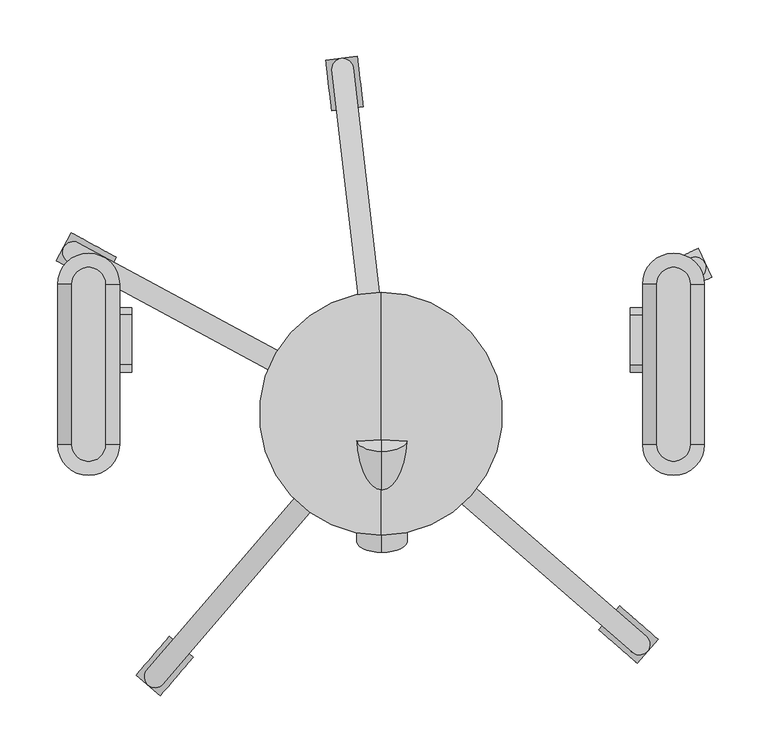
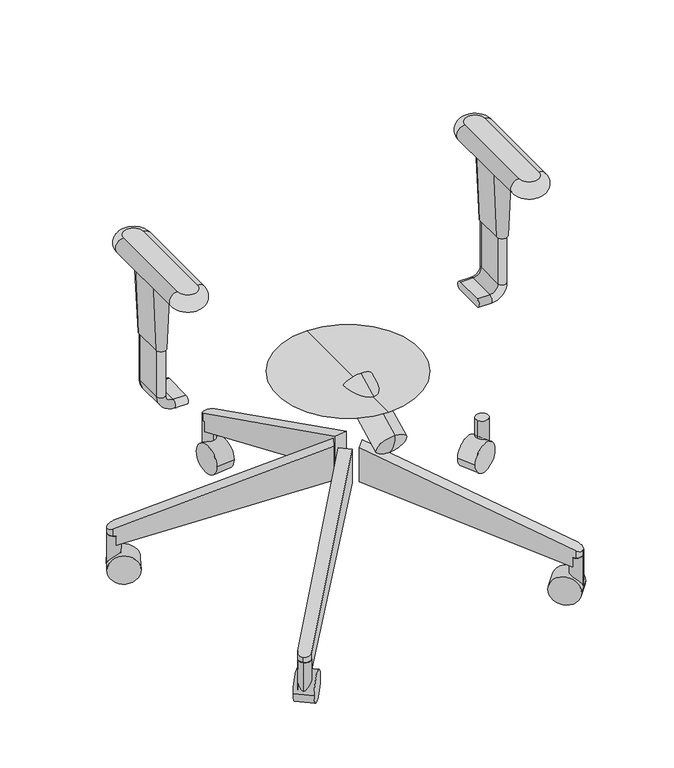
"""IFC4 building model written with IfcOpenShell, lengths in millimetres: proxy geometry."""

from ifc_helpers import new_model, si_unit, point, frame, frame_2d, origin, place, context, project, spatial, polyline, circle_curve, ellipse_curve, trimmed, segment, composite_curve, outline, extrude, source, transform, mapped, element, save
from ifc_brep_helpers import plane_surface, cylinder_surface, revolved_surface, advanced_brep


def specialty_equipment_1cdeb560(model_context):
    return source(origin(), model_context, "Body", "SolidModel", [
        advanced_brep(
        [(-244.7915853, -65.3190125, 564.9459091), (-244.7915853, 77.131927, 564.9459091), (-274.5248755, 77.131927, 564.9459091), (-274.5248755, -65.3190125, 564.9459091), (-274.5248755, -65.3190125, 539.608165), (-274.5248755, 77.131927, 539.608165), (-244.7915853, 77.131927, 539.608165), (-244.7915853, -65.3190125, 539.608165)],
        [
            (0, 1),
            (1, 2, circle_curve(frame((-259.6582304, 77.131927, 564.9459091), z_axis=(0.0, 0.0, 1.0), x_axis=(-1.0, 0.0, 0.0)), 14.8666451)),
            (2, 3),
            (3, 0, circle_curve(frame((-259.6582304, -65.3190125, 564.9459091), z_axis=(0.0, 0.0, 1.0), x_axis=(1.0, 0.0, 0.0)), 14.8666451)),
            (4, 5),
            (5, 6, circle_curve(frame((-259.6582304, 77.131927, 539.608165), z_axis=(0.0, 0.0, -1.0), x_axis=(-1.0, 0.0, 0.0)), 14.8666451)),
            (6, 7),
            (7, 4, circle_curve(frame((-259.6582304, -65.3190125, 539.608165), z_axis=(0.0, 0.0, -1.0), x_axis=(1.0, 0.0, 0.0)), 14.8666451)),
            (7, 0, circle_curve(frame((-244.7915853, -65.3190125, 552.277037), z_axis=(0.0, -1.0, 0.0), x_axis=(-1.0, 0.0, 0.0)), 12.668872)),
            (3, 4, circle_curve(frame((-274.5248755, -65.3190125, 552.277037), z_axis=(0.0, -1.0, 0.0), x_axis=(1.0, 0.0, 0.0)), 12.668872)),
            (2, 5, circle_curve(frame((-274.5248755, 77.131927, 552.277037), z_axis=(0.0, -1.0, 0.0), x_axis=(1.0, 0.0, 0.0)), 12.668872)),
            (1, 6, circle_curve(frame((-244.7915853, 77.131927, 552.277037), z_axis=(0.0, 1.0, 0.0), x_axis=(-1.0, 0.0, 0.0)), 12.668872)),
        ],
        [
            plane_surface(frame((-232.0214447, -65.3190125, 564.9459091), z_axis=(0.0, 0.0, 1.0), x_axis=(0.0, -1.0, 0.0))),
            plane_surface(frame((-232.0214447, -65.3190125, 539.608165), z_axis=(0.0, 0.0, -1.0), x_axis=(0.0, 1.0, 0.0))),
            revolved_surface(trimmed(ellipse_curve(frame((-244.7915853, -65.3190125, 552.277037), z_axis=(0.0, -1.0, 0.0), x_axis=(-1.0, 0.0, 0.0)), 12.668872, 12.668872), [point((-244.7915853, -65.3190125, 539.608165))], [point((-244.7915853, -65.3190125, 564.9459091))], True, "CARTESIAN"), (-259.6582304, -65.3190125, 564.9459091), (0.0, 0.0, 1.0)),
            cylinder_surface(frame((-274.5248755, -65.3190125, 552.277037), z_axis=(0.0, 1.0, 0.0), x_axis=(1.0, 0.0, 0.0)), 12.668872),
            revolved_surface(trimmed(ellipse_curve(frame((-274.5248755, 77.131927, 552.277037), z_axis=(0.0, 1.0, 0.0), x_axis=(1.0, 0.0, 0.0)), 12.668872, 12.668872), [point((-274.5248755, 77.131927, 539.608165))], [point((-274.5248755, 77.131927, 564.9459091))], True, "CARTESIAN"), (-259.6582304, 77.131927, 564.9459091), (0.0, 0.0, 1.0)),
            cylinder_surface(frame((-244.7915853, 77.131927, 552.277037), z_axis=(0.0, -1.0, 0.0), x_axis=(-1.0, 0.0, 0.0)), 12.668872),
        ],
        [
            (0, [[1, 2, 3, 4]]),
            (1, [[5, 6, 7, 8]]),
            (2, [[-8, 9, -4, 10]]),
            (3, [[-3, 11, -5, -10]]),
            (4, [[-2, 12, -6, -11]]),
            (5, [[-7, -12, -1, -9]]),
        ],
    ),
        advanced_brep(
        [(-272.2112726, 5.4550281, 539.608165), (-246.8112726, 5.4550281, 539.608165), (-246.8112726, 49.9050281, 539.608165), (-272.2112726, 49.9050281, 539.608165), (-267.4487726, 5.4550281, 425.6440254), (-267.4487726, 49.9050281, 425.6440254), (-251.5737726, 49.9050281, 425.6440254), (-251.5737726, 5.4550281, 425.6440254)],
        [
            (0, 1, circle_curve(frame((-259.5112726, 5.4550281, 539.608165), z_axis=(0.0, 0.0, 1.0), x_axis=(1.0, 0.0, 0.0)), 12.7)),
            (1, 2),
            (2, 3, circle_curve(frame((-259.5112726, 49.9050281, 539.608165), z_axis=(0.0, 0.0, 1.0), x_axis=(-1.0, 0.0, 0.0)), 12.7)),
            (3, 0),
            (4, 5),
            (5, 6, circle_curve(frame((-259.5112726, 49.9050281, 425.6440254), z_axis=(0.0, 0.0, -1.0), x_axis=(-1.0, 0.0, 0.0)), 7.9375)),
            (6, 7),
            (7, 4, circle_curve(frame((-259.5112726, 5.4550281, 425.6440254), z_axis=(0.0, 0.0, -1.0), x_axis=(1.0, 0.0, 0.0)), 7.9375)),
            (3, 5),
            (4, 0),
            (2, 6),
            (1, 7),
        ],
        [
            plane_surface(frame((-259.5112726, 27.6800281, 539.608165), z_axis=(0.0, 0.0, 1.0), x_axis=(0.0, 1.0, 0.0))),
            plane_surface(frame((-259.5112726, 27.6800281, 425.6440254), z_axis=(0.0, 0.0, -1.0), x_axis=(0.0, 1.0, 0.0))),
            plane_surface(frame((-267.4487726, 27.6800281, 425.6440254), z_axis=(-0.9991279624642644, 0.0, -0.04175301931606388), x_axis=(0.0, 1.0, 0.0))),
            revolved_surface(polyline([(-251.57377260104474, 49.9050281, 425.6440254), (-246.8112726, 49.9050281, 539.608165)]), (-259.5112726, 49.9050281, 235.7037928), (0.0, 0.0, 1.0)),
            plane_surface(frame((-251.5737726, 27.6800281, 425.6440254), z_axis=(0.9991279624642645, 0.0, -0.04175301931606151), x_axis=(0.0, -1.0, 0.0))),
            revolved_surface(polyline([(-267.44877259895526, 5.4550281, 425.6440254), (-272.2112726, 5.4550281, 539.608165)]), (-259.5112726, 5.4550281, 235.7037928), (0.0, 0.0, 1.0)),
        ],
        [
            (0, [[1, 2, 3, 4]]),
            (1, [[5, 6, 7, 8]]),
            (2, [[9, -5, 10, -4]]),
            (3, [[11, -6, -9, -3]]),
            (4, [[12, -7, -11, -2]]),
            (5, [[-10, -8, -12, -1]]),
        ],
    ),
        advanced_brep(
        [(-221.4112726, 5.4550281, 324.0440254), (-221.4112726, 49.9050281, 324.0440254), (-221.4112726, 49.9050281, 336.7440254), (-221.4112726, 5.4550281, 336.7440254), (-240.4612726, 5.4550281, 336.7440254), (-240.4612726, 5.4550281, 324.0440254), (-240.4612726, 49.9050281, 336.7440254), (-240.4612726, 49.9050281, 324.0440254), (-253.1612726, 5.4550281, 349.4440254), (-265.8612726, 5.4550281, 349.4440254), (-253.1612726, 49.9050281, 349.4440254), (-265.8612726, 49.9050281, 349.4440254), (-265.8612726, 5.4550281, 425.6440254), (-253.1612726, 5.4550281, 425.6440254), (-253.1612726, 49.9050281, 425.6440254), (-265.8612726, 49.9050281, 425.6440254)],
        [
            (0, 1),
            (1, 2, circle_curve(frame((-221.4112726, 49.9050281, 330.3940254), z_axis=(1.0, 0.0, 0.0), x_axis=(0.0, -1.0, 0.0)), 6.35)),
            (2, 3),
            (3, 0, circle_curve(frame((-221.4112726, 5.4550281, 330.3940254), z_axis=(1.0, 0.0, 0.0), x_axis=(0.0, -1.0, 0.0)), 6.35)),
            (3, 4),
            (4, 5, circle_curve(frame((-240.4612726, 5.4550281, 330.3940254), z_axis=(1.0, 0.0, 0.0), x_axis=(0.0, -1.0, 0.0)), 6.35)),
            (5, 0),
            (2, 6),
            (6, 4),
            (1, 7),
            (7, 6, circle_curve(frame((-240.4612726, 49.9050281, 330.3940254), z_axis=(1.0, 0.0, 0.0), x_axis=(0.0, -1.0, 0.0)), 6.35)),
            (5, 7),
            (8, 9, circle_curve(frame((-259.5112726, 5.4550281, 349.4440254), z_axis=(0.0, 0.0, -1.0), x_axis=(0.0, -1.0, 0.0)), 6.35)),
            (9, 5, circle_curve(frame((-240.4612726, 5.4550281, 349.4440254), z_axis=(0.0, -1.0, 0.0), x_axis=(0.0, 0.0, -1.0)), 25.4)),
            (4, 8, circle_curve(frame((-240.4612726, 5.4550281, 349.4440254), z_axis=(0.0, 1.0, 0.0), x_axis=(0.0, 0.0, -1.0)), 12.7)),
            (10, 8),
            (6, 10, circle_curve(frame((-240.4612726, 49.9050281, 349.4440254), z_axis=(0.0, 1.0, 0.0), x_axis=(0.0, 0.0, -1.0)), 12.7)),
            (11, 10, circle_curve(frame((-259.5112726, 49.9050281, 349.4440254), z_axis=(0.0, 0.0, -1.0), x_axis=(0.0, -1.0, 0.0)), 6.35)),
            (7, 11, circle_curve(frame((-240.4612726, 49.9050281, 349.4440254), z_axis=(0.0, 1.0, 0.0), x_axis=(0.0, 0.0, -1.0)), 25.4)),
            (9, 11),
            (12, 13, circle_curve(frame((-259.5112726, 5.4550281, 425.6440254), z_axis=(0.0, 0.0, 1.0), x_axis=(0.0, -1.0, 0.0)), 6.35)),
            (13, 14),
            (14, 15, circle_curve(frame((-259.5112726, 49.9050281, 425.6440254), z_axis=(0.0, 0.0, 1.0), x_axis=(0.0, -1.0, 0.0)), 6.35)),
            (15, 12),
            (8, 13),
            (12, 9),
            (10, 14),
            (11, 15),
        ],
        [
            plane_surface(frame((-221.4112726, 31.75, 324.0440254), z_axis=(1.0, 0.0, 0.0), x_axis=(0.0, -1.0, 0.0))),
            cylinder_surface(frame((-221.4112726, 5.4550281, 330.3940254), z_axis=(1.0, 0.0, 0.0), x_axis=(0.0, -1.0, 0.0)), 6.35),
            plane_surface(frame((-221.4112726, 5.4550281, 336.7440254), z_axis=(0.0, 0.0, 1.0), x_axis=(-1.0, 0.0, 0.0))),
            cylinder_surface(frame((-221.4112726, 49.9050281, 330.3940254), z_axis=(1.0, 0.0, 0.0), x_axis=(0.0, -1.0, 0.0)), 6.35),
            plane_surface(frame((-221.4112726, 49.9050281, 324.0440254), z_axis=(0.0, 0.0, -1.0), x_axis=(-1.0, 0.0, 0.0))),
            revolved_surface(trimmed(ellipse_curve(frame((-240.4612726, 5.4550281, 330.3940254), z_axis=(-1.0, 0.0, 0.0), x_axis=(0.0, -1.0, 0.0)), 6.35, 6.35), [point((-240.4612726, 5.4550281, 324.0440254))], [point((-240.4612726, 5.4550281, 336.7440254))], True, "CARTESIAN"), (-240.4612726, 31.75, 349.4440254), (0.0, -1.0, 0.0)),
            revolved_surface(polyline([(-240.4612726, 5.4550281, 336.7440254), (-240.4612726, 49.9050281, 336.7440254)]), (-240.4612726, 31.75, 349.4440254), (0.0, -1.0, 0.0)),
            revolved_surface(trimmed(ellipse_curve(frame((-240.4612726, 49.9050281, 330.3940254), z_axis=(-1.0, 0.0, 0.0), x_axis=(0.0, -1.0, 0.0)), 6.35, 6.35), [point((-240.4612726, 49.9050281, 336.7440254))], [point((-240.4612726, 49.9050281, 324.0440254))], True, "CARTESIAN"), (-240.4612726, 31.75, 349.4440254), (0.0, -1.0, 0.0)),
            cylinder_surface(frame((-240.4612726, 31.75, 349.4440254), z_axis=(0.0, -1.0, 0.0), x_axis=(0.0, 0.0, -1.0)), 25.4),
            plane_surface(frame((-265.8612726, 31.75, 425.6440254), z_axis=(0.0, 0.0, 1.0), x_axis=(0.0, -1.0, 0.0))),
            cylinder_surface(frame((-259.5112726, 5.4550281, 349.4440254), z_axis=(0.0, 0.0, -1.0), x_axis=(0.0, -1.0, 0.0)), 6.35),
            plane_surface(frame((-253.1612726, 5.4550281, 349.4440254), z_axis=(1.0, 0.0, 0.0), x_axis=(0.0, 0.0, 1.0))),
            cylinder_surface(frame((-259.5112726, 49.9050281, 349.4440254), z_axis=(0.0, 0.0, -1.0), x_axis=(0.0, -1.0, 0.0)), 6.35),
            plane_surface(frame((-265.8612726, 49.9050281, 349.4440254), z_axis=(-1.0, 0.0, 0.0), x_axis=(0.0, 0.0, 1.0))),
        ],
        [
            (0, [[1, 2, 3, 4]]),
            (1, [[5, 6, 7, -4]]),
            (2, [[8, 9, -5, -3]]),
            (3, [[10, 11, -8, -2]]),
            (4, [[-7, 12, -10, -1]]),
            (5, [[13, 14, -6, 15]]),
            (6, [[16, -15, -9, 17]]),
            (7, [[18, -17, -11, 19]]),
            (8, [[20, -19, -12, -14]]),
            (9, [[21, 22, 23, 24]]),
            (10, [[25, -21, 26, -13]]),
            (11, [[27, -22, -25, -16]]),
            (12, [[28, -23, -27, -18]]),
            (13, [[-26, -24, -28, -20]]),
        ],
    ),
        advanced_brep(
        [(274.4746752, -65.3190125, 564.9459091), (274.4746752, 77.131927, 564.9459091), (244.8417856, 77.131927, 564.9459091), (244.8417856, -65.3190125, 564.9459091), (244.8417856, -65.3190125, 539.608165), (244.8417856, 77.131927, 539.608165), (274.4746752, 77.131927, 539.608165), (274.4746752, -65.3190125, 539.608165)],
        [
            (0, 1),
            (1, 2, circle_curve(frame((259.6582304, 77.131927, 564.9459091), z_axis=(0.0, 0.0, 1.0), x_axis=(-1.0, 0.0, 0.0)), 14.8164448)),
            (2, 3),
            (3, 0, circle_curve(frame((259.6582304, -65.3190125, 564.9459091), z_axis=(0.0, 0.0, 1.0), x_axis=(1.0, 0.0, 0.0)), 14.8164448)),
            (4, 5),
            (5, 6, circle_curve(frame((259.6582304, 77.131927, 539.608165), z_axis=(0.0, 0.0, -1.0), x_axis=(-1.0, 0.0, 0.0)), 14.8164448)),
            (6, 7),
            (7, 4, circle_curve(frame((259.6582304, -65.3190125, 539.608165), z_axis=(0.0, 0.0, -1.0), x_axis=(1.0, 0.0, 0.0)), 14.8164448)),
            (7, 0, circle_curve(frame((274.4746752, -65.3190125, 552.277037), z_axis=(0.0, -1.0, 0.0), x_axis=(-1.0, 0.0, 0.0)), 12.668872)),
            (3, 4, circle_curve(frame((244.8417856, -65.3190125, 552.277037), z_axis=(0.0, -1.0, 0.0), x_axis=(1.0, 0.0, 0.0)), 12.668872)),
            (2, 5, circle_curve(frame((244.8417856, 77.131927, 552.277037), z_axis=(0.0, -1.0, 0.0), x_axis=(1.0, 0.0, 0.0)), 12.668872)),
            (1, 6, circle_curve(frame((274.4746752, 77.131927, 552.277037), z_axis=(0.0, 1.0, 0.0), x_axis=(-1.0, 0.0, 0.0)), 12.668872)),
        ],
        [
            plane_surface(frame((232.0214447, -59.2606364, 564.9459091), z_axis=(0.0, 0.0, 1.0), x_axis=(0.0, 1.0, 0.0))),
            plane_surface(frame((232.0214447, -59.2606364, 539.608165), z_axis=(0.0, 0.0, -1.0), x_axis=(0.0, -1.0, 0.0))),
            revolved_surface(trimmed(ellipse_curve(frame((274.4746752, -65.3190125, 552.277037), z_axis=(0.0, -1.0, 0.0), x_axis=(-1.0, 0.0, 0.0)), 12.668872, 12.668872), [point((274.4746752, -65.3190125, 539.608165))], [point((274.4746752, -65.3190125, 564.9459091))], True, "CARTESIAN"), (259.6582304, -65.3190125, 564.9459091), (0.0, 0.0, 1.0)),
            cylinder_surface(frame((244.8417856, -65.3190125, 552.277037), z_axis=(0.0, 1.0, 0.0), x_axis=(1.0, 0.0, 0.0)), 12.668872),
            revolved_surface(trimmed(ellipse_curve(frame((244.8417856, 77.131927, 552.277037), z_axis=(0.0, 1.0, 0.0), x_axis=(1.0, 0.0, 0.0)), 12.668872, 12.668872), [point((244.8417856, 77.131927, 539.608165))], [point((244.8417856, 77.131927, 564.9459091))], True, "CARTESIAN"), (259.6582304, 77.131927, 564.9459091), (0.0, 0.0, 1.0)),
            cylinder_surface(frame((274.4746752, 77.131927, 552.277037), z_axis=(0.0, -1.0, 0.0), x_axis=(-1.0, 0.0, 0.0)), 12.668872),
        ],
        [
            (0, [[1, 2, 3, 4]]),
            (1, [[5, 6, 7, 8]]),
            (2, [[-8, 9, -4, 10]]),
            (3, [[-3, 11, -5, -10]]),
            (4, [[-2, 12, -6, -11]]),
            (5, [[-7, -12, -1, -9]]),
        ],
    ),
        advanced_brep(
        [(272.2112726, 5.4550281, 539.608165), (272.2112726, 49.9050281, 539.608165), (246.8112726, 49.9050281, 539.608165), (246.8112726, 5.4550281, 539.608165), (267.4487726, 5.4550281, 425.6440254), (251.5737726, 5.4550281, 425.6440254), (251.5737726, 49.9050281, 425.6440254), (267.4487726, 49.9050281, 425.6440254)],
        [
            (0, 1),
            (1, 2, circle_curve(frame((259.5112726, 49.9050281, 539.608165), z_axis=(0.0, 0.0, 1.0), x_axis=(-1.0, 0.0, 0.0)), 12.7)),
            (2, 3),
            (3, 0, circle_curve(frame((259.5112726, 5.4550281, 539.608165), z_axis=(0.0, 0.0, 1.0), x_axis=(1.0, 0.0, 0.0)), 12.7)),
            (4, 5, circle_curve(frame((259.5112726, 5.4550281, 425.6440254), z_axis=(0.0, 0.0, -1.0), x_axis=(1.0, 0.0, 0.0)), 7.9375)),
            (5, 6),
            (6, 7, circle_curve(frame((259.5112726, 49.9050281, 425.6440254), z_axis=(0.0, 0.0, -1.0), x_axis=(-1.0, 0.0, 0.0)), 7.9375)),
            (7, 4),
            (3, 5),
            (4, 0),
            (2, 6),
            (1, 7),
        ],
        [
            plane_surface(frame((259.5112726, 27.6800281, 539.608165), z_axis=(0.0, 0.0, 1.0), x_axis=(0.0, -1.0, 0.0))),
            plane_surface(frame((259.5112726, 27.6800281, 425.6440254), z_axis=(0.0, 0.0, -1.0), x_axis=(0.0, -1.0, 0.0))),
            revolved_surface(polyline([(251.57377260104474, 5.4550281, 425.6440254), (246.8112726, 5.4550281, 539.608165)]), (259.5112726, 5.4550281, 235.7037928), (0.0, 0.0, 1.0)),
            plane_surface(frame((251.5737726, 27.6800281, 425.6440254), z_axis=(-0.9991279624642644, 0.0, -0.04175301931606269), x_axis=(0.0, 1.0, 0.0))),
            revolved_surface(polyline([(267.44877259895526, 49.9050281, 425.6440254), (272.2112726, 49.9050281, 539.608165)]), (259.5112726, 49.9050281, 235.7037928), (0.0, 0.0, 1.0)),
            plane_surface(frame((267.4487726, 27.6800281, 425.6440254), z_axis=(0.9991279624642644, 0.0, -0.04175301931606269), x_axis=(0.0, -1.0, 0.0))),
        ],
        [
            (0, [[1, 2, 3, 4]]),
            (1, [[5, 6, 7, 8]]),
            (2, [[9, -5, 10, -4]]),
            (3, [[11, -6, -9, -3]]),
            (4, [[12, -7, -11, -2]]),
            (5, [[-10, -8, -12, -1]]),
        ],
    ),
        advanced_brep(
        [(221.4112726, 5.4550281, 324.0440254), (221.4112726, 5.4550281, 336.7440254), (221.4112726, 49.9050281, 336.7440254), (221.4112726, 49.9050281, 324.0440254), (240.4612726, 49.9050281, 324.0440254), (240.4612726, 5.4550281, 324.0440254), (240.4612726, 49.9050281, 336.7440254), (240.4612726, 5.4550281, 336.7440254), (265.8612726, 49.9050281, 349.4440254), (265.8612726, 5.4550281, 349.4440254), (253.1612726, 49.9050281, 349.4440254), (253.1612726, 5.4550281, 349.4440254), (265.8612726, 5.4550281, 425.6440254), (265.8612726, 49.9050281, 425.6440254), (253.1612726, 49.9050281, 425.6440254), (253.1612726, 5.4550281, 425.6440254)],
        [
            (0, 1, circle_curve(frame((221.4112726, 5.4550281, 330.3940254), z_axis=(-1.0, 0.0, 0.0), x_axis=(0.0, -1.0, 0.0)), 6.35)),
            (1, 2),
            (2, 3, circle_curve(frame((221.4112726, 49.9050281, 330.3940254), z_axis=(-1.0, 0.0, 0.0), x_axis=(0.0, -1.0, 0.0)), 6.35)),
            (3, 0),
            (3, 4),
            (4, 5),
            (5, 0),
            (2, 6),
            (6, 4, circle_curve(frame((240.4612726, 49.9050281, 330.3940254), z_axis=(-1.0, 0.0, 0.0), x_axis=(0.0, -1.0, 0.0)), 6.35)),
            (1, 7),
            (7, 6),
            (5, 7, circle_curve(frame((240.4612726, 5.4550281, 330.3940254), z_axis=(-1.0, 0.0, 0.0), x_axis=(0.0, -1.0, 0.0)), 6.35)),
            (8, 9),
            (9, 5, circle_curve(frame((240.4612726, 5.4550281, 349.4440254), z_axis=(0.0, 1.0, 0.0), x_axis=(0.0, 0.0, -1.0)), 25.4)),
            (4, 8, circle_curve(frame((240.4612726, 49.9050281, 349.4440254), z_axis=(0.0, -1.0, 0.0), x_axis=(0.0, 0.0, -1.0)), 25.4)),
            (10, 8, circle_curve(frame((259.5112726, 49.9050281, 349.4440254), z_axis=(0.0, 0.0, -1.0), x_axis=(0.0, -1.0, 0.0)), 6.35)),
            (6, 10, circle_curve(frame((240.4612726, 49.9050281, 349.4440254), z_axis=(0.0, -1.0, 0.0), x_axis=(0.0, 0.0, -1.0)), 12.7)),
            (11, 10),
            (7, 11, circle_curve(frame((240.4612726, 5.4550281, 349.4440254), z_axis=(0.0, -1.0, 0.0), x_axis=(0.0, 0.0, -1.0)), 12.7)),
            (9, 11, circle_curve(frame((259.5112726, 5.4550281, 349.4440254), z_axis=(0.0, 0.0, -1.0), x_axis=(0.0, -1.0, 0.0)), 6.35)),
            (12, 13),
            (13, 14, circle_curve(frame((259.5112726, 49.9050281, 425.6440254), z_axis=(0.0, 0.0, 1.0), x_axis=(0.0, -1.0, 0.0)), 6.35)),
            (14, 15),
            (15, 12, circle_curve(frame((259.5112726, 5.4550281, 425.6440254), z_axis=(0.0, 0.0, 1.0), x_axis=(0.0, -1.0, 0.0)), 6.35)),
            (8, 13),
            (12, 9),
            (10, 14),
            (11, 15),
        ],
        [
            plane_surface(frame((221.4112726, 31.75, 324.0440254), z_axis=(-1.0, 0.0, 0.0), x_axis=(0.0, -1.0, 0.0))),
            plane_surface(frame((221.4112726, 5.4550281, 324.0440254), z_axis=(0.0, 0.0, -1.0), x_axis=(1.0, 0.0, 0.0))),
            cylinder_surface(frame((221.4112726, 49.9050281, 330.3940254), z_axis=(-1.0, 0.0, 0.0), x_axis=(0.0, -1.0, 0.0)), 6.35),
            plane_surface(frame((221.4112726, 49.9050281, 336.7440254), z_axis=(0.0, 0.0, 1.0), x_axis=(1.0, 0.0, 0.0))),
            cylinder_surface(frame((221.4112726, 5.4550281, 330.3940254), z_axis=(-1.0, 0.0, 0.0), x_axis=(0.0, -1.0, 0.0)), 6.35),
            cylinder_surface(frame((240.4612726, 31.75, 349.4440254), z_axis=(0.0, 1.0, 0.0), x_axis=(0.0, 0.0, -1.0)), 25.4),
            revolved_surface(trimmed(ellipse_curve(frame((240.4612726, 49.9050281, 330.3940254), z_axis=(1.0, 0.0, 0.0), x_axis=(0.0, -1.0, 0.0)), 6.35, 6.35), [point((240.4612726, 49.9050281, 324.0440254))], [point((240.4612726, 49.9050281, 336.7440254))], True, "CARTESIAN"), (240.4612726, 31.75, 349.4440254), (0.0, 1.0, 0.0)),
            revolved_surface(polyline([(240.4612726, 49.9050281, 336.7440254), (240.4612726, 5.4550281, 336.7440254)]), (240.4612726, 31.75, 349.4440254), (0.0, 1.0, 0.0)),
            revolved_surface(trimmed(ellipse_curve(frame((240.4612726, 5.4550281, 330.3940254), z_axis=(1.0, 0.0, 0.0), x_axis=(0.0, -1.0, 0.0)), 6.35, 6.35), [point((240.4612726, 5.4550281, 336.7440254))], [point((240.4612726, 5.4550281, 324.0440254))], True, "CARTESIAN"), (240.4612726, 31.75, 349.4440254), (0.0, 1.0, 0.0)),
            plane_surface(frame((265.8612726, 31.75, 425.6440254), z_axis=(0.0, 0.0, 1.0), x_axis=(0.0, -1.0, 0.0))),
            plane_surface(frame((265.8612726, 5.4550281, 349.4440254), z_axis=(1.0, 0.0, 0.0), x_axis=(0.0, 0.0, 1.0))),
            cylinder_surface(frame((259.5112726, 49.9050281, 349.4440254), z_axis=(0.0, 0.0, -1.0), x_axis=(0.0, -1.0, 0.0)), 6.35),
            plane_surface(frame((253.1612726, 49.9050281, 349.4440254), z_axis=(-1.0, 0.0, 0.0), x_axis=(0.0, 0.0, 1.0))),
            cylinder_surface(frame((259.5112726, 5.4550281, 349.4440254), z_axis=(0.0, 0.0, -1.0), x_axis=(0.0, -1.0, 0.0)), 6.35),
        ],
        [
            (0, [[1, 2, 3, 4]]),
            (1, [[5, 6, 7, -4]]),
            (2, [[8, 9, -5, -3]]),
            (3, [[10, 11, -8, -2]]),
            (4, [[-7, 12, -10, -1]]),
            (5, [[13, 14, -6, 15]]),
            (6, [[16, -15, -9, 17]]),
            (7, [[18, -17, -11, 19]]),
            (8, [[20, -19, -12, -14]]),
            (9, [[21, 22, 23, 24]]),
            (10, [[25, -21, 26, -13]]),
            (11, [[27, -22, -25, -16]]),
            (12, [[28, -23, -27, -18]]),
            (13, [[-26, -24, -28, -20]]),
        ],
    ),
        advanced_brep(
        [(0.7579549, -50.7773619, 300.8203454), (0.7579549, -59.9704355, 321.4683269), (0.7579549, -71.2714503, 341.0422587), (0.7579549, -140.5414689, 255.0832484), (0.7579549, -161.0355573, 295.3051617), (0.7579549, -156.2865878, 272.3927961)],
        [
            (0, 1),
            (1, 2),
            (2, 0, circle_curve(frame((0.7579549, -61.0244061, 320.931302), z_axis=(0.0, 0.8910065241883681, 0.45399049973954636), x_axis=(0.0, -0.45399049973954636, 0.8910065241883681)), 22.5710543)),
            (0, 2, circle_curve(frame((0.7579549, -61.0244061, 320.931302), z_axis=(0.0, 0.8910065241883681, 0.45399049973954636), x_axis=(0.0, -0.45399049973954636, 0.8910065241883681)), 22.5710543)),
            (3, 0),
            (2, 4),
            (4, 3, circle_curve(frame((0.7579549, -150.7885131, 275.1942051), z_axis=(0.0, 0.8910065241883681, 0.45399049973954636), x_axis=(0.0, -0.45399049973954636, 0.8910065241883681)), 22.5710543)),
            (3, 4, circle_curve(frame((0.7579549, -150.7885131, 275.1942051), z_axis=(0.0, 0.8910065241883681, 0.45399049973954636), x_axis=(0.0, -0.45399049973954636, 0.8910065241883681)), 22.5710543)),
            (5, 3, circle_curve(frame((0.7579549, -116.7564404, 292.5344122), z_axis=(1.0, 0.0, 0.0), x_axis=(0.0, -0.587785252292474, -0.8090169943749469)), 44.3657216)),
            (4, 5, circle_curve(frame((0.7579549, -116.7564404, 292.5344122), z_axis=(1.0, 0.0, 0.0), x_axis=(0.0, -1.0, 0.0)), 44.3657216)),
        ],
        [
            revolved_surface(polyline([(0.7579549, -59.9704355, 321.4683269), (0.7579549, -71.2714503, 341.0422587)]), (0.7579549, -89.8360219, 306.2510506), (0.0, -0.8910065241883681, -0.45399049973954636)),
            cylinder_surface(frame((0.7579549, -89.8360219, 306.2510506), z_axis=(0.0, -0.8910065241883681, -0.45399049973954636), x_axis=(0.0, -0.45399049973954636, 0.8910065241883681)), 22.5710543),
            revolved_surface(trimmed(ellipse_curve(frame((0.7579549, -116.7564404, 292.5344122), z_axis=(1.0, 0.0, 0.0), x_axis=(0.0, -1.0, 0.0)), 44.3657216, 44.3657216), [point((0.7579549, -161.0355573, 295.3051617))], [point((0.7579549, -156.2865878, 272.3927961))], True, "CARTESIAN"), (0.7579549, -89.8360219, 306.2510506), (0.0, -0.8910065241883681, -0.45399049973954636)),
        ],
        [
            (0, [[1, 2, 3]]),
            (0, [[-2, -1, 4]]),
            (1, [[5, -3, 6, 7]]),
            (1, [[-6, -4, -5, 8]]),
            (2, [[9, -7, 10]]),
            (2, [[-10, -8, -9]]),
        ],
    ),
        advanced_brep(
        [(0.0, -38.1, 324.0440254), (0.0, -146.05, 324.0440254), (0.0, 69.85, 324.0440254), (0.0, -50.8, 278.9664474), (0.0, -38.1, 278.9664474), (0.0, -25.4, 278.9664474)],
        [
            (0, 1),
            (1, 2, circle_curve(frame((0.0, -38.1, 324.0440254), z_axis=(0.0, 0.0, 1.0), x_axis=(0.0, 1.0, 0.0)), 107.95)),
            (2, 0),
            (2, 1, circle_curve(frame((0.0, -38.1, 324.0440254), z_axis=(0.0, 0.0, 1.0), x_axis=(0.0, 1.0, 0.0)), 107.95)),
            (3, 4),
            (4, 5),
            (5, 3, circle_curve(frame((0.0, -38.1, 278.9664474), z_axis=(0.0, 0.0, -1.0), x_axis=(0.0, 1.0, 0.0)), 12.7)),
            (3, 5, circle_curve(frame((0.0, -38.1, 278.9664474), z_axis=(0.0, 0.0, -1.0), x_axis=(0.0, 1.0, 0.0)), 12.7)),
            (1, 3),
            (5, 2),
        ],
        [
            plane_surface(frame((0.0, -38.1, 324.0440254), z_axis=(0.0, 0.0, 1.0), x_axis=(0.0, 1.0, 0.0))),
            plane_surface(frame((0.0, -38.1, 278.9664474), z_axis=(0.0, 0.0, -1.0), x_axis=(0.0, 1.0, 0.0))),
            revolved_surface(polyline([(0.0, -25.4, 278.9664474), (0.0, 69.85, 324.0440254)]), (0.0, -38.1, 278.9664474), (0.0, 0.0, 1.0)),
        ],
        [
            (0, [[1, 2, 3]]),
            (0, [[-3, 4, -1]]),
            (1, [[5, 6, 7]]),
            (1, [[-6, -5, 8]]),
            (2, [[9, -7, 10, -2]]),
            (2, [[-10, -8, -9, -4]]),
        ],
    ),
        advanced_brep(
        [(-35.2798856, 277.5318237, 73.9191719), (-43.6580109, 267.9440949, 73.9191719), (-33.0987126, 258.7169749, 73.9191719), (-24.8402492, 269.635782, 73.9191719), (-35.2798856, 277.5318237, 24.010186), (-24.8402492, 269.635782, 24.010186), (-33.0987126, 258.7169749, 24.010186), (-43.6580109, 267.9440949, 24.010186)],
        [
            (0, 1, circle_curve(frame((-34.1892991, 268.1243993, 73.9191719), z_axis=(0.0, 0.0, 1.0), x_axis=(0.1151570430509366, -0.9933472984992534, 0.0)), 9.4704283)),
            (1, 2, circle_curve(frame((-34.1892991, 268.1243993, 73.9191719), z_axis=(0.0, 0.0, 1.0), x_axis=(0.1151570430509366, -0.9933472984992534, 0.0)), 9.4704283)),
            (2, 3, circle_curve(frame((-34.1892991, 268.1243993, 73.9191719), z_axis=(0.0, 0.0, 1.0), x_axis=(0.1151570430509366, -0.9933472984992534, 0.0)), 9.4704283)),
            (3, 0, circle_curve(frame((-34.1892991, 268.1243993, 73.9191719), z_axis=(0.0, 0.0, 1.0), x_axis=(0.1151570430509366, -0.9933472984992534, 0.0)), 9.4704283)),
            (4, 5, circle_curve(frame((-34.1892991, 268.1243993, 24.010186), z_axis=(0.0, 0.0, -1.0), x_axis=(0.1151570430509366, -0.9933472984992534, 0.0)), 9.4704283)),
            (5, 6, circle_curve(frame((-34.1892991, 268.1243993, 24.010186), z_axis=(0.0, 0.0, -1.0), x_axis=(0.1151570430509366, -0.9933472984992534, 0.0)), 9.4704283)),
            (6, 7, circle_curve(frame((-34.1892991, 268.1243993, 24.010186), z_axis=(0.0, 0.0, -1.0), x_axis=(0.1151570430509366, -0.9933472984992534, 0.0)), 9.4704283)),
            (7, 4, circle_curve(frame((-34.1892991, 268.1243993, 24.010186), z_axis=(0.0, 0.0, -1.0), x_axis=(0.1151570430509366, -0.9933472984992534, 0.0)), 9.4704283)),
            (2, 6),
            (4, 0),
        ],
        [
            plane_surface(frame((-33.0987126, 258.7169749, 73.9191719), z_axis=(0.0, 0.0, 1.0000000000000002), x_axis=(-0.9933472984992534, -0.1151570430509366, 0.0))),
            plane_surface(frame((-33.0987126, 258.7169749, 24.010186), z_axis=(0.0, 0.0, -1.0000000000000002), x_axis=(0.9933472984992534, 0.1151570430509366, 0.0))),
            cylinder_surface(frame((-34.1892991, 268.1243993, 24.010186), z_axis=(0.0, 0.0, 1.0000000000000002), x_axis=(0.1151570430509366, -0.9933472984992534, 0.0)), 9.4704283),
        ],
        [
            (0, [[1, 2, 3, 4]]),
            (1, [[5, 6, 7, 8]]),
            (2, [[-4, -3, 9, -6, -5, 10]]),
            (2, [[-8, -7, -9, -2, -1, -10]]),
        ],
    ),
        advanced_brep(
        [(-10.2230636, -20.4665287, 158.3164474), (8.5386668, -18.2915135, 158.3164474), (8.5386668, -18.2915135, 212.7487443), (-10.2230636, -20.4665287, 212.7487443), (-43.6580109, 267.9440949, 57.6571213), (-35.2798856, 277.5318237, 54.689734), (-24.8402492, 269.635782, 57.8258095), (-24.8402492, 269.635782, 86.2220806), (-35.2798856, 277.5318237, 82.2734822), (-43.6580109, 267.9440949, 86.0096871)],
        [
            (0, 1),
            (1, 2),
            (2, 3),
            (3, 0),
            (0, 4),
            (4, 5, ellipse_curve(frame((-34.1892991, 268.1243993, 57.9730562), z_axis=(0.03772137343102609, -0.3253854336709328, -0.9448287768380345), x_axis=(-0.1088036881301013, 0.9385431130164155, -0.3275646233321655)), 10.0234334, 9.4704283)),
            (5, 6, ellipse_curve(frame((-34.1892991, 268.1243993, 57.9730562), z_axis=(0.03772137343102609, -0.3253854336709328, -0.9448287768380345), x_axis=(-0.1088036881301013, 0.9385431130164155, -0.3275646233321655)), 10.0234334, 9.4704283)),
            (6, 1),
            (6, 7),
            (7, 2),
            (7, 8, ellipse_curve(frame((-34.1892991, 268.1243993, 86.4074773), z_axis=(-0.046069943732865715, 0.3974003928601444, 0.9164881276039825), x_axis=(-0.10554006276616408, 0.910391005662055, -0.400061885163966)), 10.333389, 9.4704283)),
            (8, 9, ellipse_curve(frame((-34.1892991, 268.1243993, 86.4074773), z_axis=(-0.046069943732865715, 0.3974003928601444, 0.9164881276039825), x_axis=(-0.10554006276616408, 0.910391005662055, -0.400061885163966)), 10.333389, 9.4704283)),
            (9, 3),
            (9, 4),
            (8, 5),
        ],
        [
            plane_surface(frame((-0.8421984, -19.3790211, 185.5325958), z_axis=(0.11515704305094802, -0.9933472984992521, 0.0), x_axis=(0.0, 0.0, 1.0))),
            plane_surface(frame((-0.8421984, -19.3790211, 158.3164474), z_axis=(0.03772137343102609, -0.3253854336709328, -0.9448287768380345), x_axis=(0.9933472984992534, 0.1151570430509366, 0.0))),
            plane_surface(frame((8.5386668, -18.2915135, 185.5325958), z_axis=(0.9933472984992534, 0.11515704305093587, 0.0), x_axis=(0.0, 0.0, 1.0))),
            plane_surface(frame((-0.8421984, -19.3790211, 212.7487443), z_axis=(-0.046069943732865715, 0.3974003928601444, 0.9164881276039825), x_axis=(-0.9933472984992534, -0.1151570430509366, 0.0))),
            plane_surface(frame((-10.2230636, -20.4665287, 185.5325958), z_axis=(-0.9933472984992533, -0.11515704305093748, 0.0), x_axis=(0.0, 0.0, -1.0))),
            cylinder_surface(frame((-34.1892991, 268.1243993, 0.0), z_axis=(0.0, 0.0, -1.0000000000000002), x_axis=(0.1151570430509366, -0.9933472984992534, 0.0)), 9.4704283),
        ],
        [
            (0, [[1, 2, 3, 4]]),
            (1, [[5, 6, 7, 8, -1]]),
            (2, [[-8, 9, 10, -2]]),
            (3, [[-10, 11, 12, 13, -3]]),
            (4, [[-13, 14, -5, -4]]),
            (5, [[-6, -14, -12, 15]]),
            (5, [[-11, -9, -7, -15]]),
        ],
    ),
        extrude(outline(composite_curve([segment(trimmed(circle_curve(frame_2d((0.0, 22.5683941)), 22.5683942), [point((0.0, 45.1367882))], [point((0.0, 0.0))], False, "CARTESIAN"), True, "CONTINUOUS"), segment(trimmed(circle_curve(frame_2d((0.0, 22.5683941)), 22.5683942), [point((0.0, 0.0))], [point((0.0, 45.1367882))], False, "CARTESIAN"), True, "CONTINUOUS")], self_intersect=False)), frame((-248.6554504, 76.4056896, 22.3266274), z_axis=(0.475429476302697, 0.8797538366284875, 0.0), x_axis=(0.0, 0.0, -1.0)), (0.0, 0.0, 1.0), 28.170451),
        extrude(outline(composite_curve([segment(trimmed(circle_curve(frame_2d((0.0, 22.5683941)), 22.5683942), [point((0.0, 45.1367883))], [point((0.0, 0.0))], False, "CARTESIAN"), True, "CONTINUOUS"), segment(trimmed(circle_curve(frame_2d((0.0, 22.5683941)), 22.5683942), [point((0.0, 0.0))], [point((0.0, 45.1367883))], False, "CARTESIAN"), True, "CONTINUOUS")], self_intersect=False)), frame((-43.9097092, 231.3044857, 22.3266274), z_axis=(0.9933472984992534, 0.1151570430509366, 0.0), x_axis=(0.0, 0.0, -1.0)), (0.0, 0.0, 1.0), 28.170451),
        advanced_brep(
        [(-281.5728053, 109.989739, 73.9191719), (-278.5244929, 97.6274853, 73.9191719), (-264.909514, 100.9846975, 73.9191719), (-269.1168171, 114.0124051, 73.9191719), (-281.5728053, 109.989739, 24.010186), (-269.1168171, 114.0124051, 24.010186), (-264.909514, 100.9846975, 24.010186), (-278.5244929, 97.6274853, 24.010186)],
        [
            (0, 1, circle_curve(frame((-273.2411596, 105.4872182, 73.9191719), z_axis=(0.0, 0.0, 1.0), x_axis=(0.8797538366284874, -0.475429476302697, 0.0)), 9.4704283)),
            (1, 2, circle_curve(frame((-273.2411596, 105.4872182, 73.9191719), z_axis=(0.0, 0.0, 1.0), x_axis=(0.8797538366284874, -0.475429476302697, 0.0)), 9.4704283)),
            (2, 3, circle_curve(frame((-273.2411596, 105.4872182, 73.9191719), z_axis=(0.0, 0.0, 1.0), x_axis=(0.8797538366284874, -0.475429476302697, 0.0)), 9.4704283)),
            (3, 0, circle_curve(frame((-273.2411596, 105.4872182, 73.9191719), z_axis=(0.0, 0.0, 1.0), x_axis=(0.8797538366284874, -0.475429476302697, 0.0)), 9.4704283)),
            (4, 5, circle_curve(frame((-273.2411596, 105.4872182, 24.010186), z_axis=(0.0, 0.0, -1.0), x_axis=(0.8797538366284874, -0.475429476302697, 0.0)), 9.4704283)),
            (5, 6, circle_curve(frame((-273.2411596, 105.4872182, 24.010186), z_axis=(0.0, 0.0, -1.0), x_axis=(0.8797538366284874, -0.475429476302697, 0.0)), 9.4704283)),
            (6, 7, circle_curve(frame((-273.2411596, 105.4872182, 24.010186), z_axis=(0.0, 0.0, -1.0), x_axis=(0.8797538366284874, -0.475429476302697, 0.0)), 9.4704283)),
            (7, 4, circle_curve(frame((-273.2411596, 105.4872182, 24.010186), z_axis=(0.0, 0.0, -1.0), x_axis=(0.8797538366284874, -0.475429476302697, 0.0)), 9.4704283)),
            (2, 6),
            (4, 0),
        ],
        [
            plane_surface(frame((-264.909514, 100.9846975, 73.9191719), z_axis=(0.0, 0.0, 1.0), x_axis=(-0.475429476302697, -0.8797538366284874, 0.0))),
            plane_surface(frame((-264.909514, 100.9846975, 24.010186), z_axis=(0.0, 0.0, -1.0), x_axis=(0.475429476302697, 0.8797538366284874, 0.0))),
            cylinder_surface(frame((-273.2411596, 105.4872182, 24.010186), z_axis=(0.0, 0.0, 1.0), x_axis=(0.8797538366284874, -0.475429476302697, 0.0)), 9.4704283),
        ],
        [
            (0, [[1, 2, 3, 4]]),
            (1, [[5, 6, 7, 8]]),
            (2, [[-4, -3, 9, -6, -5, 10]]),
            (2, [[-8, -7, -9, -2, -1, -10]]),
        ],
    ),
        advanced_brep(
        [(-23.0948431, -40.4097469, 158.3164474), (-14.1152247, -23.7934997, 158.3164474), (-14.1152247, -23.7934997, 212.7487443), (-23.0948431, -40.4097469, 212.7487443), (-278.5244929, 97.6274853, 57.6571213), (-281.5728053, 109.989739, 54.689734), (-269.1168171, 114.0124051, 57.8258095), (-269.1168171, 114.0124051, 86.2220806), (-281.5728053, 109.989739, 82.2734822), (-278.5244929, 97.6274853, 86.0096871)],
        [
            (0, 1),
            (1, 2),
            (2, 3),
            (3, 0),
            (0, 4),
            (4, 5, ellipse_curve(frame((-273.2411596, 105.4872182, 57.9730562), z_axis=(0.28817623412023846, -0.15573387732610194, -0.9448287768380345), x_axis=(-0.8312167413802618, 0.44919945056782457, -0.32756462333216557)), 10.0234334, 9.4704283)),
            (5, 6, ellipse_curve(frame((-273.2411596, 105.4872182, 57.9730562), z_axis=(0.28817623412023846, -0.15573387732610194, -0.9448287768380345), x_axis=(-0.8312167413802618, 0.44919945056782457, -0.32756462333216557)), 10.0234334, 9.4704283)),
            (6, 1),
            (6, 7),
            (7, 2),
            (7, 8, ellipse_curve(frame((-273.2411596, 105.4872182, 86.4074773), z_axis=(-0.35195597836182463, 0.19020121255217418, 0.9164881276039823), x_axis=(-0.8062839464840623, 0.43572547054440075, -0.40006188516396635)), 10.333389, 9.4704283)),
            (8, 9, ellipse_curve(frame((-273.2411596, 105.4872182, 86.4074773), z_axis=(-0.35195597836182463, 0.19020121255217418, 0.9164881276039823), x_axis=(-0.8062839464840623, 0.43572547054440075, -0.40006188516396635)), 10.333389, 9.4704283)),
            (9, 3),
            (9, 4),
            (8, 5),
        ],
        [
            plane_surface(frame((-18.6050339, -32.1016233, 185.5325958), z_axis=(0.8797538366284872, -0.4754294763026976, 0.0), x_axis=(0.0, 0.0, 1.0))),
            plane_surface(frame((-18.6050339, -32.1016233, 158.3164474), z_axis=(0.28817623412023846, -0.15573387732610194, -0.9448287768380345), x_axis=(0.475429476302697, 0.8797538366284874, 0.0))),
            plane_surface(frame((-14.1152247, -23.7934997, 185.5325958), z_axis=(0.475429476302697, 0.8797538366284875, 0.0), x_axis=(0.0, 0.0, 1.0))),
            plane_surface(frame((-18.6050339, -32.1016233, 212.7487443), z_axis=(-0.35195597836182463, 0.19020121255217418, 0.9164881276039823), x_axis=(-0.475429476302697, -0.8797538366284874, 0.0))),
            plane_surface(frame((-23.0948431, -40.4097469, 185.5325958), z_axis=(-0.4754294763026961, -0.8797538366284879, 0.0), x_axis=(0.0, 0.0, -1.0))),
            cylinder_surface(frame((-273.2411596, 105.4872182, 0.0), z_axis=(0.0, 0.0, -1.0), x_axis=(0.8797538366284874, -0.475429476302697, 0.0)), 9.4704283),
        ],
        [
            (0, [[1, 2, 3, 4]]),
            (1, [[5, 6, 7, 8, -1]]),
            (2, [[-8, 9, 10, -2]]),
            (3, [[-10, 11, 12, 13, -3]]),
            (4, [[-13, 14, -5, -4]]),
            (5, [[-6, -14, -12, 15]]),
            (5, [[-11, -9, -7, -15]]),
        ],
    ),
        extrude(outline(composite_curve([segment(trimmed(circle_curve(frame_2d((0.0, 22.5683941)), 22.5683942), [point((0.0, 45.1367883))], [point((0.0, 0.0))], False, "CARTESIAN"), True, "CONTINUOUS"), segment(trimmed(circle_curve(frame_2d((0.0, 22.5683941)), 22.5683942), [point((0.0, 0.0))], [point((0.0, 45.1367883))], False, "CARTESIAN"), True, "CONTINUOUS")], self_intersect=False)), frame((-166.6539777, -253.958145, 22.3266274), z_axis=(-0.7591272317932002, 0.6509422754361504, 0.0), x_axis=(0.0, 0.0, -1.0)), (0.0, 0.0, 1.0), 28.170451),
        advanced_brep(
        [(-206.7344855, -278.7707437, 73.9191719), (-193.6642242, -278.0623991, 73.9191719), (-194.4050812, -264.3922237, 73.9191719), (-208.3188762, -266.1371681, 73.9191719), (-206.7344855, -278.7707437, 24.010186), (-208.3188762, -266.1371681, 24.010186), (-194.4050812, -264.3922237, 24.010186), (-193.6642242, -278.0623991, 24.010186)],
        [
            (0, 1, circle_curve(frame((-200.5697833, -271.5814837, 73.9191719), z_axis=(0.0, 0.0, 1.0), x_axis=(0.6509422754361504, 0.7591272317932001, 0.0)), 9.4704283)),
            (1, 2, circle_curve(frame((-200.5697833, -271.5814837, 73.9191719), z_axis=(0.0, 0.0, 1.0), x_axis=(0.6509422754361504, 0.7591272317932001, 0.0)), 9.4704283)),
            (2, 3, circle_curve(frame((-200.5697833, -271.5814837, 73.9191719), z_axis=(0.0, 0.0, 1.0), x_axis=(0.6509422754361504, 0.7591272317932001, 0.0)), 9.4704283)),
            (3, 0, circle_curve(frame((-200.5697833, -271.5814837, 73.9191719), z_axis=(0.0, 0.0, 1.0), x_axis=(0.6509422754361504, 0.7591272317932001, 0.0)), 9.4704283)),
            (4, 5, circle_curve(frame((-200.5697833, -271.5814837, 24.010186), z_axis=(0.0, 0.0, -1.0), x_axis=(0.6509422754361504, 0.7591272317932001, 0.0)), 9.4704283)),
            (5, 6, circle_curve(frame((-200.5697833, -271.5814837, 24.010186), z_axis=(0.0, 0.0, -1.0), x_axis=(0.6509422754361504, 0.7591272317932001, 0.0)), 9.4704283)),
            (6, 7, circle_curve(frame((-200.5697833, -271.5814837, 24.010186), z_axis=(0.0, 0.0, -1.0), x_axis=(0.6509422754361504, 0.7591272317932001, 0.0)), 9.4704283)),
            (7, 4, circle_curve(frame((-200.5697833, -271.5814837, 24.010186), z_axis=(0.0, 0.0, -1.0), x_axis=(0.6509422754361504, 0.7591272317932001, 0.0)), 9.4704283)),
            (2, 6),
            (4, 0),
        ],
        [
            plane_surface(frame((-194.4050812, -264.3922237, 73.9191719), z_axis=(0.0, 0.0, 1.0), x_axis=(0.7591272317932001, -0.6509422754361504, 0.0))),
            plane_surface(frame((-194.4050812, -264.3922237, 24.010186), z_axis=(0.0, 0.0, -1.0), x_axis=(-0.7591272317932001, 0.6509422754361504, 0.0))),
            cylinder_surface(frame((-200.5697833, -271.5814837, 24.010186), z_axis=(0.0, 0.0, 1.0), x_axis=(0.6509422754361504, 0.7591272317932001, 0.0)), 9.4704283),
        ],
        [
            (0, [[1, 2, 3, 4]]),
            (1, [[5, 6, 7, 8]]),
            (2, [[-4, -3, 9, -6, -5, 10]]),
            (2, [[-8, -7, -9, -2, -1, -10]]),
        ],
    ),
        advanced_brep(
        [(-19.3228747, -45.7305102, 158.3164474), (-19.3228747, -45.7305102, 212.7487443), (-4.9849483, -58.0251059, 212.7487443), (-4.9849483, -58.0251059, 158.3164474), (-208.3188762, -266.1371681, 57.6571213), (-208.3188762, -266.1371681, 86.0096871), (-206.7344855, -278.7707437, 82.2734822), (-193.6642242, -278.0623991, 86.2220806), (-193.6642242, -278.0623991, 57.8258095), (-206.7344855, -278.7707437, 54.689734)],
        [
            (0, 1),
            (1, 2),
            (2, 3),
            (3, 0),
            (0, 4),
            (4, 5),
            (5, 1),
            (5, 6, ellipse_curve(frame((-200.5697833, -271.5814837, 86.4074773), z_axis=(-0.26041719384390805, -0.30369787143049076, 0.9164881276039823), x_axis=(-0.5965808671927533, -0.6957310952793443, -0.40006188516396635)), 10.333389, 9.4704283)),
            (6, 7, ellipse_curve(frame((-200.5697833, -271.5814837, 86.4074773), z_axis=(-0.26041719384390805, -0.30369787143049076, 0.9164881276039823), x_axis=(-0.5965808671927533, -0.6957310952793443, -0.40006188516396635)), 10.333389, 9.4704283)),
            (7, 2),
            (7, 8),
            (8, 3),
            (8, 9, ellipse_curve(frame((-200.5697833, -271.5814837, 57.9730562), z_axis=(0.21322566126422557, 0.2486632257435294, -0.9448287768380346), x_axis=(-0.6150289938925049, -0.7172452538796125, -0.32756462333216513)), 10.0234334, 9.4704283)),
            (9, 4, ellipse_curve(frame((-200.5697833, -271.5814837, 57.9730562), z_axis=(0.21322566126422557, 0.2486632257435294, -0.9448287768380346), x_axis=(-0.6150289938925049, -0.7172452538796125, -0.32756462333216513)), 10.0234334, 9.4704283)),
            (6, 9),
        ],
        [
            plane_surface(frame((-12.1539115, -51.877808, 185.5325958), z_axis=(0.6509422754361504, 0.7591272317932001, 0.0), x_axis=(0.7591272317932001, -0.6509422754361504, 0.0))),
            plane_surface(frame((-19.3228747, -45.7305102, 185.5325958), z_axis=(-0.7591272317932003, 0.6509422754361502, 0.0), x_axis=(0.0, 0.0, 1.0))),
            plane_surface(frame((-12.1539115, -51.877808, 212.7487443), z_axis=(-0.26041719384390805, -0.30369787143049076, 0.9164881276039823), x_axis=(0.7591272317932001, -0.6509422754361504, 0.0))),
            plane_surface(frame((-4.9849483, -58.0251059, 185.5325958), z_axis=(0.7591272317932007, -0.6509422754361497, 0.0), x_axis=(0.0, 0.0, -1.0))),
            plane_surface(frame((-12.1539115, -51.877808, 158.3164474), z_axis=(0.21322566126422557, 0.2486632257435294, -0.9448287768380346), x_axis=(-0.7591272317932001, 0.6509422754361504, 0.0))),
            cylinder_surface(frame((-200.5697833, -271.5814837, 0.0), z_axis=(0.0, 0.0, -1.0), x_axis=(0.6509422754361504, 0.7591272317932001, 0.0)), 9.4704283),
        ],
        [
            (0, [[1, 2, 3, 4]]),
            (1, [[5, 6, 7, -1]]),
            (2, [[-7, 8, 9, 10, -2]]),
            (3, [[-10, 11, 12, -3]]),
            (4, [[-12, 13, 14, -5, -4]]),
            (5, [[-13, -11, -9, 15]]),
            (5, [[-8, -6, -14, -15]]),
        ],
    ),
        extrude(outline(composite_curve([segment(trimmed(circle_curve(frame_2d((0.0, 22.5683941)), 22.5683942), [point((0.0, 45.1367883))], [point((0.0, 0.0))], False, "CARTESIAN"), True, "CONTINUOUS"), segment(trimmed(circle_curve(frame_2d((0.0, 22.5683941)), 22.5683942), [point((0.0, 0.0))], [point((0.0, 45.1367883))], False, "CARTESIAN"), True, "CONTINUOUS")], self_intersect=False)), frame((193.3874944, -229.8557825, 22.3266274), z_axis=(0.6560590289904926, 0.7547095802227848, 0.0), x_axis=(0.0, 0.0, 1.0)), (0.0, 0.0, 1.0), 28.170451),
        advanced_brep(
        [(236.4100645, -248.842596, 73.9191719), (235.7900898, -235.767845, 73.9191719), (222.1152186, -236.416276, 73.9191719), (223.7660673, -250.3415488, 73.9191719), (236.4100645, -248.842596, 24.010186), (223.7660673, -250.3415488, 24.010186), (222.1152186, -236.416276, 24.010186), (235.7900898, -235.767845, 24.010186)],
        [
            (0, 1, circle_curve(frame((229.2626415, -242.629436, 73.9191719), z_axis=(0.0, 0.0, 1.0), x_axis=(-0.7547095802227848, 0.6560590289904926, 0.0)), 9.4704283)),
            (1, 2, circle_curve(frame((229.2626415, -242.629436, 73.9191719), z_axis=(0.0, 0.0, 1.0), x_axis=(-0.7547095802227848, 0.6560590289904926, 0.0)), 9.4704283)),
            (2, 3, circle_curve(frame((229.2626415, -242.629436, 73.9191719), z_axis=(0.0, 0.0, 1.0), x_axis=(-0.7547095802227848, 0.6560590289904926, 0.0)), 9.4704283)),
            (3, 0, circle_curve(frame((229.2626415, -242.629436, 73.9191719), z_axis=(0.0, 0.0, 1.0), x_axis=(-0.7547095802227848, 0.6560590289904926, 0.0)), 9.4704283)),
            (4, 5, circle_curve(frame((229.2626415, -242.629436, 24.010186), z_axis=(0.0, 0.0, -1.0), x_axis=(-0.7547095802227848, 0.6560590289904926, 0.0)), 9.4704283)),
            (5, 6, circle_curve(frame((229.2626415, -242.629436, 24.010186), z_axis=(0.0, 0.0, -1.0), x_axis=(-0.7547095802227848, 0.6560590289904926, 0.0)), 9.4704283)),
            (6, 7, circle_curve(frame((229.2626415, -242.629436, 24.010186), z_axis=(0.0, 0.0, -1.0), x_axis=(-0.7547095802227848, 0.6560590289904926, 0.0)), 9.4704283)),
            (7, 4, circle_curve(frame((229.2626415, -242.629436, 24.010186), z_axis=(0.0, 0.0, -1.0), x_axis=(-0.7547095802227848, 0.6560590289904926, 0.0)), 9.4704283)),
            (2, 6),
            (4, 0),
        ],
        [
            plane_surface(frame((222.1152186, -236.416276, 73.9191719), z_axis=(0.0, 0.0, 1.0), x_axis=(0.6560590289904926, 0.7547095802227848, 0.0))),
            plane_surface(frame((222.1152186, -236.416276, 24.010186), z_axis=(0.0, 0.0, -1.0), x_axis=(-0.6560590289904926, -0.7547095802227848, 0.0))),
            cylinder_surface(frame((229.2626415, -242.629436, 24.010186), z_axis=(0.0, 0.0, 1.0), x_axis=(-0.7547095802227848, 0.6560590289904926, 0.0)), 9.4704283),
        ],
        [
            (0, [[1, 2, 3, 4]]),
            (1, [[5, 6, 7, 8]]),
            (2, [[-4, -3, 9, -6, -5, 10]]),
            (2, [[-8, -7, -9, -2, -1, -10]]),
        ],
    ),
        advanced_brep(
        [(4.6420399, -59.8599379, 158.3164474), (4.6420399, -59.8599379, 212.7487443), (17.0332777, -45.6054494, 212.7487443), (17.0332777, -45.6054494, 158.3164474), (223.7660673, -250.3415488, 57.6571213), (223.7660673, -250.3415488, 86.0096871), (236.4100645, -248.842596, 82.2734822), (235.7900898, -235.767845, 86.2220806), (235.7900898, -235.767845, 57.8258095), (236.4100645, -248.842596, 54.689734)],
        [
            (0, 1),
            (1, 2),
            (2, 3),
            (3, 0),
            (0, 4),
            (4, 5),
            (5, 1),
            (5, 6, ellipse_curve(frame((229.2626415, -242.629436, 86.4074773), z_axis=(0.3019305374152332, -0.2624642119167779, 0.9164881276039821), x_axis=(0.6916823700631672, -0.6012703110771831, -0.40006188516396696)), 10.333389, 9.4704283)),
            (6, 7, ellipse_curve(frame((229.2626415, -242.629436, 86.4074773), z_axis=(0.3019305374152332, -0.2624642119167779, 0.9164881276039821), x_axis=(0.6916823700631672, -0.6012703110771831, -0.40006188516396696)), 10.333389, 9.4704283)),
            (7, 2),
            (7, 8),
            (8, 3),
            (8, 9, ellipse_curve(frame((229.2626415, -242.629436, 57.9730562), z_axis=(-0.24721615937085384, 0.21490172871493748, -0.9448287768380343), x_axis=(0.7130713295498402, -0.6198634498946357, -0.32756462333216607)), 10.0234334, 9.4704283)),
            (9, 4, ellipse_curve(frame((229.2626415, -242.629436, 57.9730562), z_axis=(-0.24721615937085384, 0.21490172871493748, -0.9448287768380343), x_axis=(0.7130713295498402, -0.6198634498946357, -0.32756462333216607)), 10.0234334, 9.4704283)),
            (6, 9),
        ],
        [
            plane_surface(frame((10.8376588, -52.7326936, 185.5325958), z_axis=(-0.7547095802227848, 0.6560590289904926, 0.0), x_axis=(0.6560590289904926, 0.7547095802227848, 0.0))),
            plane_surface(frame((4.6420399, -59.8599379, 185.5325958), z_axis=(-0.6560590289904923, -0.7547095802227851, 0.0), x_axis=(0.0, 0.0, 1.0))),
            plane_surface(frame((10.8376588, -52.7326936, 212.7487443), z_axis=(0.30193053741523324, -0.26246421191677793, 0.9164881276039823), x_axis=(0.6560590289904926, 0.7547095802227848, 0.0))),
            plane_surface(frame((17.0332777, -45.6054494, 185.5325958), z_axis=(0.6560590289904925, 0.7547095802227849, 0.0), x_axis=(0.0, 0.0, -1.0))),
            plane_surface(frame((10.8376588, -52.7326936, 158.3164474), z_axis=(-0.24721615937085384, 0.21490172871493748, -0.9448287768380343), x_axis=(-0.6560590289904926, -0.7547095802227848, 0.0))),
            cylinder_surface(frame((229.2626415, -242.629436, 0.0), z_axis=(0.0, 0.0, -1.0), x_axis=(-0.7547095802227848, 0.6560590289904926, 0.0)), 9.4704283),
        ],
        [
            (0, [[1, 2, 3, 4]]),
            (1, [[5, 6, 7, -1]]),
            (2, [[-7, 8, 9, 10, -2]]),
            (3, [[-10, 11, 12, -3]]),
            (4, [[-12, 13, 14, -5, -4]]),
            (5, [[-13, -11, -9, 15]]),
            (5, [[-8, -6, -14, -15]]),
        ],
    ),
        extrude(outline(composite_curve([segment(trimmed(circle_curve(frame_2d((0.0, 22.5683942)), 22.5683942), [point((0.0, 45.1367884))], [point((0.0, 0.0))], False, "CARTESIAN"), True, "CONTINUOUS"), segment(trimmed(circle_curve(frame_2d((0.0, 22.5683942)), 22.5683942), [point((0.0, 0.0))], [point((0.0, 45.1367884))], False, "CARTESIAN"), True, "CONTINUOUS")], self_intersect=False)), frame((252.6577309, 64.2751969, 22.3266274), z_axis=(-0.42261826174071043, 0.9063077870366449, 0.0), x_axis=(0.0, 0.0, 1.0)), (0.0, 0.0, 1.0), 28.170451),
        advanced_brep(
        [(287.501904, 95.8556376, 73.9191719), (275.3053581, 100.6072429, 73.9191719), (270.3356581, 87.8508857, 73.9191719), (283.7284885, 83.6950923, 73.9191719), (287.501904, 95.8556376, 24.010186), (283.7284885, 83.6950923, 24.010186), (270.3356581, 87.8508857, 24.010186), (275.3053581, 100.6072429, 24.010186)],
        [
            (0, 1, circle_curve(frame((278.918781, 91.8532617, 73.9191719), z_axis=(0.0, 0.0, 1.0), x_axis=(-0.9063077870366449, -0.42261826174071043, 0.0)), 9.4704283)),
            (1, 2, circle_curve(frame((278.918781, 91.8532617, 73.9191719), z_axis=(0.0, 0.0, 1.0), x_axis=(-0.9063077870366449, -0.42261826174071043, 0.0)), 9.4704283)),
            (2, 3, circle_curve(frame((278.918781, 91.8532617, 73.9191719), z_axis=(0.0, 0.0, 1.0), x_axis=(-0.9063077870366449, -0.42261826174071043, 0.0)), 9.4704283)),
            (3, 0, circle_curve(frame((278.918781, 91.8532617, 73.9191719), z_axis=(0.0, 0.0, 1.0), x_axis=(-0.9063077870366449, -0.42261826174071043, 0.0)), 9.4704283)),
            (4, 5, circle_curve(frame((278.918781, 91.8532617, 24.010186), z_axis=(0.0, 0.0, -1.0), x_axis=(-0.9063077870366449, -0.42261826174071043, 0.0)), 9.4704283)),
            (5, 6, circle_curve(frame((278.918781, 91.8532617, 24.010186), z_axis=(0.0, 0.0, -1.0), x_axis=(-0.9063077870366449, -0.42261826174071043, 0.0)), 9.4704283)),
            (6, 7, circle_curve(frame((278.918781, 91.8532617, 24.010186), z_axis=(0.0, 0.0, -1.0), x_axis=(-0.9063077870366449, -0.42261826174071043, 0.0)), 9.4704283)),
            (7, 4, circle_curve(frame((278.918781, 91.8532617, 24.010186), z_axis=(0.0, 0.0, -1.0), x_axis=(-0.9063077870366449, -0.42261826174071043, 0.0)), 9.4704283)),
            (2, 6),
            (4, 0),
        ],
        [
            plane_surface(frame((270.3356581, 87.8508857, 73.9191719), z_axis=(0.0, 0.0, 1.0), x_axis=(-0.4226182617407104, 0.9063077870366449, 0.0))),
            plane_surface(frame((270.3356581, 87.8508857, 24.010186), z_axis=(0.0, 0.0, -1.0), x_axis=(0.4226182617407104, -0.9063077870366449, 0.0))),
            cylinder_surface(frame((278.918781, 91.8532617, 24.010186), z_axis=(0.0, 0.0, 1.0000000000000002), x_axis=(-0.9063077870366449, -0.42261826174071043, 0.0)), 9.4704283),
        ],
        [
            (0, [[1, 2, 3, 4]]),
            (1, [[5, 6, 7, 8]]),
            (2, [[-4, -3, 9, -6, -5, 10]]),
            (2, [[-8, -7, -9, -2, -1, -10]]),
        ],
    ),
    ])


if __name__ == "__main__":
    model = new_model("IFC4")
    model_context = context("Model", 3, world=origin())
    ifc_project = project(units=[si_unit("LENGTHUNIT", "METRE", prefix="MILLI")], contexts=[model_context])
    site = spatial("IfcSite", under=ifc_project)
    building = spatial("IfcBuilding", under=site)
    placement = place(None, origin())
    specialty_equipment_shape = specialty_equipment_1cdeb560(model_context)
    element("IfcBuildingElementProxy", 1, Name="Specialty Equipment", at=placement, inside=building, context=model_context, shape_type="MappedRepresentation", body=[
        mapped(specialty_equipment_shape, transform((0.0, 0.0, 0.0), x_axis=(1.0, 0.0, 0.0), y_axis=(0.0, 1.0, 0.0), z_axis=(0.0, 0.0, 1.0))),
    ])
    save(model, "model.ifc")
